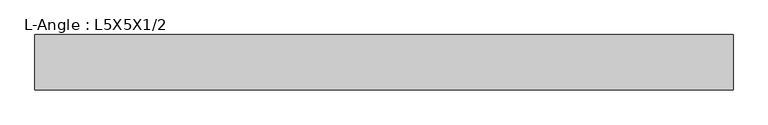
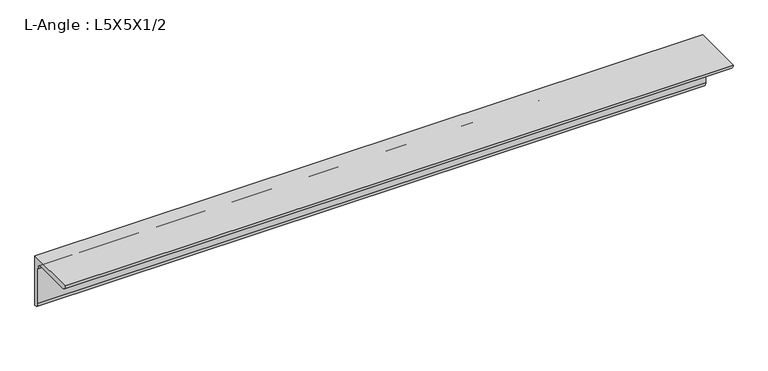
"""IFC4 building model written with IfcOpenShell, lengths in millimetres: beam geometry, L-Angle : L5X5X1/2."""

from ifc_helpers import new_model, si_unit, point, frame, frame_2d, origin, place, context, project, spatial, polyline, circle_curve, trimmed, segment, composite_curve, outline, extrude, source, transform, mapped, element, save


def l_angle_l5x5x1_2_6eaca225(model_context):
    return source(origin(), model_context, "Body", "SweptSolid", [
        extrude(outline(composite_curve([segment(polyline([(36.068, 36.068), (36.068, -90.932)]), True, "CONTINUOUS"), segment(trimmed(circle_curve(frame_2d((36.068, -78.232)), 12.7), [point((36.068, -90.932))], [point((23.368, -78.232))], False, "CARTESIAN"), True, "CONTINUOUS"), segment(polyline([(23.368, -78.232), (23.368, 10.668)]), True, "CONTINUOUS"), segment(trimmed(circle_curve(frame_2d((10.668, 10.668)), 12.7), [point((23.368, 10.668))], [point((10.668, 23.368))], True, "CARTESIAN"), True, "CONTINUOUS"), segment(polyline([(10.668, 23.368), (-78.232, 23.368)]), True, "CONTINUOUS"), segment(trimmed(circle_curve(frame_2d((-78.232, 36.068)), 12.7), [point((-78.232, 23.368))], [point((-90.932, 36.068))], False, "CARTESIAN"), True, "CONTINUOUS"), segment(polyline([(-90.932, 36.068), (36.068, 36.068)]), True, "CONTINUOUS")], self_intersect=False)), frame((-777.7162818, 0.0, 0.0), z_axis=(1.0, 0.0, 0.0), x_axis=(0.0, 1.0, 0.0)), (0.0, 0.0, 1.0), 1606.0000986),
    ])


if __name__ == "__main__":
    model = new_model("IFC4")
    model_context = context("Model", 3, world=origin())
    ifc_project = project(units=[si_unit("LENGTHUNIT", "METRE", prefix="MILLI")], contexts=[model_context])
    site = spatial("IfcSite", under=ifc_project)
    building = spatial("IfcBuilding", under=site)
    placement = place(None, origin())
    l_angle_l5x5x1_2_shape = l_angle_l5x5x1_2_6eaca225(model_context)
    element("IfcBeam", 1, ObjectType="L-Angle : L5X5X1/2", at=placement, inside=building, context=model_context, shape_type="MappedRepresentation", body=[
        mapped(l_angle_l5x5x1_2_shape, transform((0.0, 0.0, 0.0), x_axis=(1.0, 0.0, 0.0), y_axis=(0.0, 1.0, 0.0), z_axis=(0.0, 0.0, 1.0))),
    ])
    save(model, "model.ifc")
